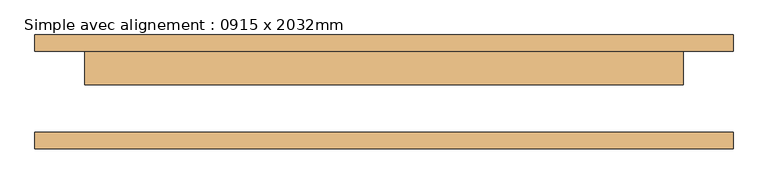
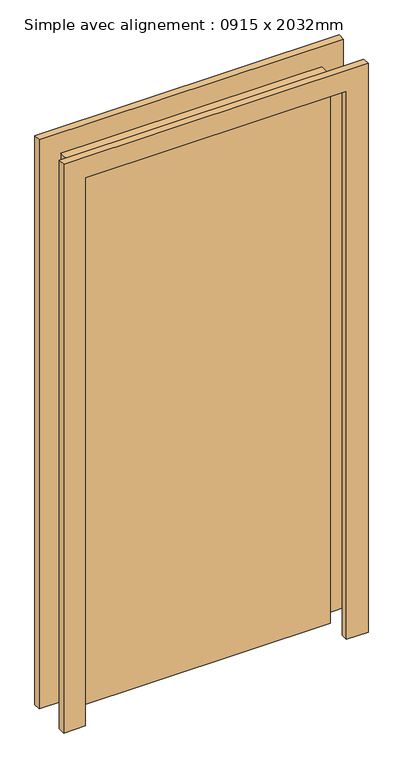
"""IFC4 building model written with IfcOpenShell, lengths in millimetres: door geometry, Simple avec alignement : 0915 x 2032mm."""

from ifc_helpers import new_model, si_unit, frame, origin, origin_with_axes, place, context, project, spatial, polyline, outline, extrude, source, transform, mapped, element, save


def simple_avec_alignement_0915_x_2032mm_310522da(model_context):
    return source(origin(), model_context, "Body", "SweptSolid", [
        extrude(outline(polyline([(2108.0, -533.5), (0.0, -533.5), (0.0, -457.5), (2032.0, -457.5), (2032.0, 457.5), (0.0, 457.5), (0.0, 533.5), (2108.0, 533.5), (2108.0, -533.5)])), frame((0.0, 62.0, 0.0), z_axis=(0.0, 1.0, 0.0), x_axis=(0.0, 0.0, 1.0)), (0.0, 0.0, 1.0), 25.0),
        extrude(outline(polyline([(2108.0, 533.5), (2108.0, -533.5), (0.0, -533.5), (0.0, -457.5), (2032.0, -457.5), (2032.0, 457.5), (0.0, 457.5), (0.0, 533.5), (2108.0, 533.5)])), frame((0.0, -87.0, 0.0), z_axis=(0.0, 1.0, 0.0), x_axis=(0.0, 0.0, 1.0)), (0.0, 0.0, 1.0), 25.0),
        extrude(outline(polyline([(457.5, 11.0), (-457.5, 11.0), (-457.5, 62.0), (457.5, 62.0), (457.5, 11.0)])), origin_with_axes(), (0.0, 0.0, 1.0), 2032.0),
    ])


if __name__ == "__main__":
    model = new_model("IFC4")
    model_context = context("Model", 3, world=origin())
    ifc_project = project(units=[si_unit("LENGTHUNIT", "METRE", prefix="MILLI")], contexts=[model_context])
    site = spatial("IfcSite", under=ifc_project)
    building = spatial("IfcBuilding", under=site)
    placement = place(None, origin())
    simple_avec_alignement_0915_x_2032mm_shape = simple_avec_alignement_0915_x_2032mm_310522da(model_context)
    element("IfcDoor", 1, ObjectType="Simple avec alignement : 0915 x 2032mm", at=placement, inside=building, context=model_context, shape_type="MappedRepresentation", body=[
        mapped(simple_avec_alignement_0915_x_2032mm_shape, transform((0.0, 0.0, 0.0), x_axis=(1.0, 0.0, 0.0), y_axis=(0.0, 1.0, 0.0), z_axis=(0.0, 0.0, 1.0))),
    ])
    save(model, "model.ifc")
